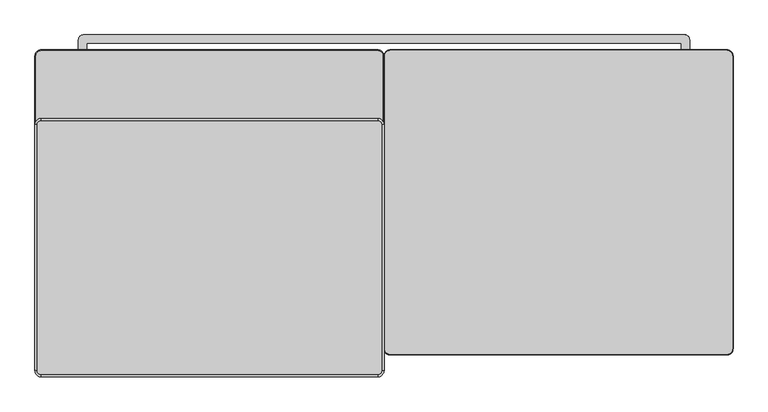
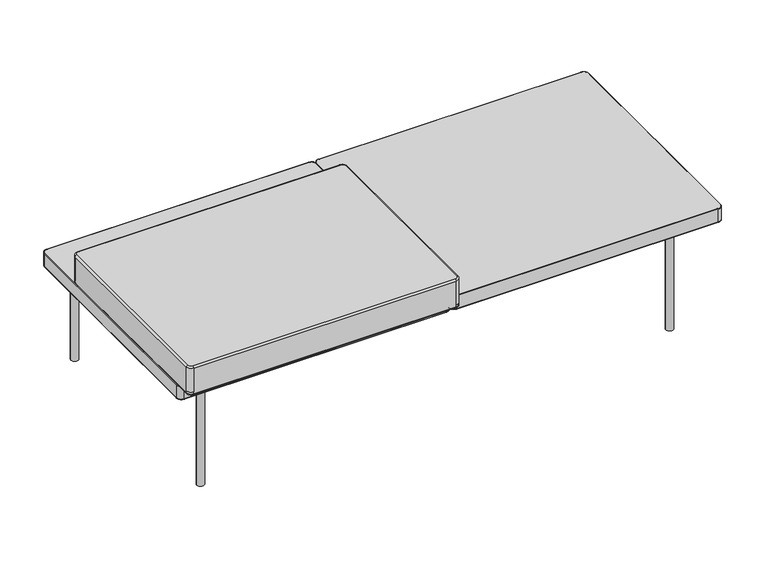
"""IFC4 building model written with IfcOpenShell, lengths in millimetres: furniture geometry."""

from ifc_helpers import new_model, si_unit, point, frame, origin, place, context, project, spatial, circle_curve, ellipse_curve, trimmed, source, transform, mapped, element, save
from ifc_brep_helpers import plane_surface, cylinder_surface, revolved_surface, advanced_brep


def furniture_eec83485(model_context):
    return source(origin(), model_context, "Body", "AdvancedBrep", [
        advanced_brep(
        [(-710.1119852, 298.9168441, 355.5999879), (-698.5011385, 310.5276908, 355.5999879), (-698.5011385, 311.6168441, 354.5108346), (-711.2011385, 298.9168441, 354.5108346), (-711.2011385, -297.9831438, 354.5108346), (-710.1119852, -297.9831438, 355.5999879), (-698.5011385, -310.6831438, 354.5108346), (-698.5011385, -309.5939905, 355.5999879), (-12.7, -310.6831438, 354.5108346), (-12.7, -309.5939905, 355.5999879), (0.0, -297.9831438, 354.5108346), (-1.0891533, -297.9831438, 355.5999879), (0.0, 298.9168441, 354.5108346), (-1.0891533, 298.9168441, 355.5999879), (-12.7, 311.6168441, 354.5108346), (-12.7, 310.5276908, 355.5999879), (-698.5011385, 311.6168441, 318.5891775), (-711.2011385, 298.9168441, 318.5891775), (-698.5011385, 310.5276908, 317.5000242), (-710.1119852, 298.9168441, 317.5000242), (-711.2011385, -297.9831438, 318.5891775), (-710.1119852, -297.9831438, 317.5000242), (-698.5011385, -310.6831438, 318.5891775), (-698.5011385, -309.5939905, 317.5000242), (-12.7, -310.6831438, 318.5891775), (-12.7, -309.5939905, 317.5000242), (0.0, -297.9831438, 318.5891775), (-1.0891533, -297.9831438, 317.5000242), (0.0, 298.9168441, 318.5891775), (-1.0891533, 298.9168441, 317.5000242), (-12.7, 311.6168441, 318.5891775), (-12.7, 310.5276908, 317.5000242)],
        [
            (0, 1, circle_curve(frame((-698.5011385, 298.9168441, 355.5999879), z_axis=(0.0, 0.0, -1.0), x_axis=(0.0, 1.0, 0.0)), 11.6108467)),
            (1, 2, circle_curve(frame((-698.5011385, 310.5276908, 354.5108346), z_axis=(-1.0, 0.0, 0.0), x_axis=(0.0, -1.0, 0.0)), 1.0891533)),
            (2, 3, circle_curve(frame((-698.5011385, 298.9168441, 354.5108346), z_axis=(0.0, 0.0, 1.0), x_axis=(0.0, 1.0, 0.0)), 12.7)),
            (3, 0, circle_curve(frame((-710.1119852, 298.9168441, 354.5108346), z_axis=(0.0, 1.0, 0.0), x_axis=(1.0, 0.0, 0.0)), 1.0891533)),
            (3, 4),
            (4, 5, circle_curve(frame((-710.1119852, -297.9831438, 354.5108346), z_axis=(0.0, 1.0, 0.0), x_axis=(1.0, 0.0, 0.0)), 1.0891533)),
            (5, 0),
            (4, 6, circle_curve(frame((-698.5011385, -297.9831438, 354.5108346), z_axis=(0.0, 0.0, 1.0), x_axis=(-1.0, 0.0, 0.0)), 12.7)),
            (6, 7, circle_curve(frame((-698.5011385, -309.5939905, 354.5108346), z_axis=(-1.0, 0.0, 0.0), x_axis=(0.0, 1.0, 0.0)), 1.0891533)),
            (7, 5, circle_curve(frame((-698.5011385, -297.9831438, 355.5999879), z_axis=(0.0, 0.0, -1.0), x_axis=(-1.0, 0.0, 0.0)), 11.6108467)),
            (6, 8),
            (8, 9, circle_curve(frame((-12.7, -309.5939905, 354.5108346), z_axis=(-1.0, 0.0, 0.0), x_axis=(0.0, 1.0, 0.0)), 1.0891533)),
            (9, 7),
            (8, 10, circle_curve(frame((-12.7, -297.9831438, 354.5108346), z_axis=(0.0, 0.0, 1.0), x_axis=(0.0, -1.0, 0.0)), 12.7)),
            (10, 11, circle_curve(frame((-1.0891533, -297.9831438, 354.5108346), z_axis=(0.0, -1.0, 0.0), x_axis=(-1.0, 0.0, 0.0)), 1.0891533)),
            (11, 9, circle_curve(frame((-12.7, -297.9831438, 355.5999879), z_axis=(0.0, 0.0, -1.0), x_axis=(0.0, -1.0, 0.0)), 11.6108467)),
            (10, 12),
            (12, 13, circle_curve(frame((-1.0891533, 298.9168441, 354.5108346), z_axis=(0.0, -1.0, 0.0), x_axis=(-1.0, 0.0, 0.0)), 1.0891533)),
            (13, 11),
            (12, 14, circle_curve(frame((-12.7, 298.9168441, 354.5108346), z_axis=(0.0, 0.0, 1.0), x_axis=(1.0, 0.0, 0.0)), 12.7)),
            (14, 15, circle_curve(frame((-12.7, 310.5276908, 354.5108346), z_axis=(1.0, 0.0, 0.0), x_axis=(0.0, -1.0, 0.0)), 1.0891533)),
            (15, 13, circle_curve(frame((-12.7, 298.9168441, 355.5999879), z_axis=(0.0, 0.0, -1.0), x_axis=(1.0, 0.0, 0.0)), 11.6108467)),
            (1, 15),
            (14, 2),
            (2, 16),
            (16, 17, circle_curve(frame((-698.5011385, 298.9168441, 318.5891775), z_axis=(0.0, 0.0, 1.0), x_axis=(0.0, 1.0, 0.0)), 12.7)),
            (17, 3),
            (16, 18, circle_curve(frame((-698.5011385, 310.5276908, 318.5891775), z_axis=(-1.0, 0.0, 0.0), x_axis=(0.0, -1.0, 0.0)), 1.0891533)),
            (18, 19, circle_curve(frame((-698.5011385, 298.9168441, 317.5000242), z_axis=(0.0, 0.0, 1.0), x_axis=(0.0, 1.0, 0.0)), 11.6108467)),
            (19, 17, circle_curve(frame((-710.1119852, 298.9168441, 318.5891775), z_axis=(0.0, 1.0, 0.0), x_axis=(1.0, 0.0, 0.0)), 1.0891533)),
            (17, 20),
            (20, 4),
            (19, 21),
            (21, 20, circle_curve(frame((-710.1119852, -297.9831438, 318.5891775), z_axis=(0.0, 1.0, 0.0), x_axis=(1.0, 0.0, 0.0)), 1.0891533)),
            (20, 22, circle_curve(frame((-698.5011385, -297.9831438, 318.5891775), z_axis=(0.0, 0.0, 1.0), x_axis=(-1.0, 0.0, 0.0)), 12.7)),
            (22, 6),
            (21, 23, circle_curve(frame((-698.5011385, -297.9831438, 317.5000242), z_axis=(0.0, 0.0, 1.0), x_axis=(-1.0, 0.0, 0.0)), 11.6108467)),
            (23, 22, circle_curve(frame((-698.5011385, -309.5939905, 318.5891775), z_axis=(-1.0, 0.0, 0.0), x_axis=(0.0, 1.0, 0.0)), 1.0891533)),
            (22, 24),
            (24, 8),
            (23, 25),
            (25, 24, circle_curve(frame((-12.7, -309.5939905, 318.5891775), z_axis=(-1.0, 0.0, 0.0), x_axis=(0.0, 1.0, 0.0)), 1.0891533)),
            (24, 26, circle_curve(frame((-12.7, -297.9831438, 318.5891775), z_axis=(0.0, 0.0, 1.0), x_axis=(0.0, -1.0, 0.0)), 12.7)),
            (26, 10),
            (25, 27, circle_curve(frame((-12.7, -297.9831438, 317.5000242), z_axis=(0.0, 0.0, 1.0), x_axis=(0.0, -1.0, 0.0)), 11.6108467)),
            (27, 26, circle_curve(frame((-1.0891533, -297.9831438, 318.5891775), z_axis=(0.0, -1.0, 0.0), x_axis=(-1.0, 0.0, 0.0)), 1.0891533)),
            (26, 28),
            (28, 12),
            (27, 29),
            (29, 28, circle_curve(frame((-1.0891533, 298.9168441, 318.5891775), z_axis=(0.0, -1.0, 0.0), x_axis=(-1.0, 0.0, 0.0)), 1.0891533)),
            (28, 30, circle_curve(frame((-12.7, 298.9168441, 318.5891775), z_axis=(0.0, 0.0, 1.0), x_axis=(1.0, 0.0, 0.0)), 12.7)),
            (30, 14),
            (29, 31, circle_curve(frame((-12.7, 298.9168441, 317.5000242), z_axis=(0.0, 0.0, 1.0), x_axis=(1.0, 0.0, 0.0)), 11.6108467)),
            (31, 30, circle_curve(frame((-12.7, 310.5276908, 318.5891775), z_axis=(1.0, 0.0, 0.0), x_axis=(0.0, -1.0, 0.0)), 1.0891533)),
            (30, 16),
            (18, 31),
        ],
        [
            revolved_surface(trimmed(ellipse_curve(frame((-698.5011385, 310.5276908, 354.5108346), z_axis=(1.0, 0.0, 0.0), x_axis=(0.0, -1.0, 0.0)), 1.0891533, 1.0891533), [point((-698.5011385, 311.6168441, 354.5108346))], [point((-698.5011385, 310.5276908, 355.5999879))], True, "CARTESIAN"), (-698.5011385, 298.9168441, 352.425), (0.0, 0.0, 1.0)),
            cylinder_surface(frame((-710.1119852, 298.9168441, 354.5108346), z_axis=(0.0, 1.0, 0.0), x_axis=(1.0, 0.0, 0.0)), 1.0891533),
            revolved_surface(trimmed(ellipse_curve(frame((-710.1119852, -297.9831438, 354.5108346), z_axis=(0.0, 1.0, 0.0), x_axis=(1.0, 0.0, 0.0)), 1.0891533, 1.0891533), [point((-711.2011385, -297.9831438, 354.5108346))], [point((-710.1119852, -297.9831438, 355.5999879))], True, "CARTESIAN"), (-698.5011385, -297.9831438, 352.425), (0.0, 0.0, 1.0)),
            cylinder_surface(frame((-698.5011385, -309.5939905, 354.5108346), z_axis=(-1.0, 0.0, 0.0), x_axis=(0.0, 1.0, 0.0)), 1.0891533),
            revolved_surface(trimmed(ellipse_curve(frame((-12.7, -309.5939905, 354.5108346), z_axis=(-1.0, 0.0, 0.0), x_axis=(0.0, 1.0, 0.0)), 1.0891533, 1.0891533), [point((-12.7, -310.6831438, 354.5108346))], [point((-12.7, -309.5939905, 355.5999879))], True, "CARTESIAN"), (-12.7, -297.9831438, 352.425), (0.0, 0.0, 1.0)),
            cylinder_surface(frame((-1.0891533, -297.9831438, 354.5108346), z_axis=(0.0, -1.0, 0.0), x_axis=(-1.0, 0.0, 0.0)), 1.0891533),
            revolved_surface(trimmed(ellipse_curve(frame((-1.0891533, 298.9168441, 354.5108346), z_axis=(0.0, -1.0, 0.0), x_axis=(-1.0, 0.0, 0.0)), 1.0891533, 1.0891533), [point((0.0, 298.9168441, 354.5108346))], [point((-1.0891533, 298.9168441, 355.5999879))], True, "CARTESIAN"), (-12.7, 298.9168441, 352.425), (0.0, 0.0, 1.0)),
            cylinder_surface(frame((-12.7, 310.5276908, 354.5108346), z_axis=(1.0, 0.0, 0.0), x_axis=(0.0, -1.0, 0.0)), 1.0891533),
            plane_surface(frame((-12.7, 310.5276908, 355.5999879), z_axis=(0.0, 0.0, 1.0), x_axis=(-1.0, 0.0, 0.0))),
            cylinder_surface(frame((-698.5011385, 298.9168441, 352.425), z_axis=(0.0, 0.0, 1.0), x_axis=(0.0, 1.0, 0.0)), 12.7),
            revolved_surface(trimmed(ellipse_curve(frame((-698.5011385, 310.5276908, 318.5891775), z_axis=(1.0, 0.0, 0.0), x_axis=(0.0, -1.0, 0.0)), 1.0891533, 1.0891533), [point((-698.5011385, 310.5276908, 317.5000242))], [point((-698.5011385, 311.6168441, 318.5891775))], True, "CARTESIAN"), (-698.5011385, 298.9168441, 352.425), (0.0, 0.0, 1.0)),
            plane_surface(frame((-711.2011385, 298.9168441, 318.5891775), z_axis=(-1.0, 0.0, 0.0), x_axis=(0.0, -1.0, 0.0))),
            cylinder_surface(frame((-710.1119852, 298.9168441, 318.5891775), z_axis=(0.0, 1.0, 0.0), x_axis=(1.0, 0.0, 0.0)), 1.0891533),
            cylinder_surface(frame((-698.5011385, -297.9831438, 352.425), z_axis=(0.0, 0.0, 1.0), x_axis=(-1.0, 0.0, 0.0)), 12.7),
            revolved_surface(trimmed(ellipse_curve(frame((-710.1119852, -297.9831438, 318.5891775), z_axis=(0.0, 1.0, 0.0), x_axis=(1.0, 0.0, 0.0)), 1.0891533, 1.0891533), [point((-710.1119852, -297.9831438, 317.5000242))], [point((-711.2011385, -297.9831438, 318.5891775))], True, "CARTESIAN"), (-698.5011385, -297.9831438, 352.425), (0.0, 0.0, 1.0)),
            plane_surface(frame((-698.5011385, -310.6831438, 318.5891775), z_axis=(0.0, -1.0, 0.0), x_axis=(1.0, 0.0, 0.0))),
            cylinder_surface(frame((-698.5011385, -309.5939905, 318.5891775), z_axis=(-1.0, 0.0, 0.0), x_axis=(0.0, 1.0, 0.0)), 1.0891533),
            cylinder_surface(frame((-12.7, -297.9831438, 352.425), z_axis=(0.0, 0.0, 1.0), x_axis=(0.0, -1.0, 0.0)), 12.7),
            revolved_surface(trimmed(ellipse_curve(frame((-12.7, -309.5939905, 318.5891775), z_axis=(-1.0, 0.0, 0.0), x_axis=(0.0, 1.0, 0.0)), 1.0891533, 1.0891533), [point((-12.7, -309.5939905, 317.5000242))], [point((-12.7, -310.6831438, 318.5891775))], True, "CARTESIAN"), (-12.7, -297.9831438, 352.425), (0.0, 0.0, 1.0)),
            plane_surface(frame((0.0, -297.9831438, 318.5891775), z_axis=(1.0, 0.0, 0.0), x_axis=(0.0, 1.0, 0.0))),
            cylinder_surface(frame((-1.0891533, -297.9831438, 318.5891775), z_axis=(0.0, -1.0, 0.0), x_axis=(-1.0, 0.0, 0.0)), 1.0891533),
            cylinder_surface(frame((-12.7, 298.9168441, 352.425), z_axis=(0.0, 0.0, 1.0), x_axis=(1.0, 0.0, 0.0)), 12.7),
            revolved_surface(trimmed(ellipse_curve(frame((-1.0891533, 298.9168441, 318.5891775), z_axis=(0.0, -1.0, 0.0), x_axis=(-1.0, 0.0, 0.0)), 1.0891533, 1.0891533), [point((-1.0891533, 298.9168441, 317.5000242))], [point((0.0, 298.9168441, 318.5891775))], True, "CARTESIAN"), (-12.7, 298.9168441, 352.425), (0.0, 0.0, 1.0)),
            plane_surface(frame((-12.7, 311.6168441, 318.5891775), z_axis=(0.0, 1.0, 0.0), x_axis=(-1.0, 0.0, 0.0))),
            plane_surface(frame((-12.7, 309.012361, 317.5000242), z_axis=(0.0, 0.0, -1.0), x_axis=(-1.0, 0.0, 0.0))),
            cylinder_surface(frame((-12.7, 310.5276908, 318.5891775), z_axis=(1.0, 0.0, 0.0), x_axis=(0.0, -1.0, 0.0)), 1.0891533),
        ],
        [
            (0, [[1, 2, 3, 4]]),
            (1, [[-4, 5, 6, 7]]),
            (2, [[-6, 8, 9, 10]]),
            (3, [[-9, 11, 12, 13]]),
            (4, [[-12, 14, 15, 16]]),
            (5, [[-15, 17, 18, 19]]),
            (6, [[-18, 20, 21, 22]]),
            (7, [[-2, 23, -21, 24]]),
            (8, [[-1, -7, -10, -13, -16, -19, -22, -23]]),
            (9, [[-3, 25, 26, 27]]),
            (10, [[-26, 28, 29, 30]]),
            (11, [[-5, -27, 31, 32]]),
            (12, [[-30, 33, 34, -31]]),
            (13, [[-8, -32, 35, 36]]),
            (14, [[-34, 37, 38, -35]]),
            (15, [[-11, -36, 39, 40]]),
            (16, [[-38, 41, 42, -39]]),
            (17, [[-14, -40, 43, 44]]),
            (18, [[-42, 45, 46, -43]]),
            (19, [[-17, -44, 47, 48]]),
            (20, [[-46, 49, 50, -47]]),
            (21, [[-20, -48, 51, 52]]),
            (22, [[-50, 53, 54, -51]]),
            (23, [[-24, -52, 55, -25]]),
            (24, [[-29, 56, -53, -49, -45, -41, -37, -33]]),
            (25, [[-28, -55, -54, -56]]),
        ],
    ),
        advanced_brep(
        [(710.1119852, 298.9168441, 355.5999879), (698.5011385, 310.5276908, 355.5999879), (12.7, 310.5276908, 355.5999879), (1.0891533, 298.9168441, 355.5999879), (1.0891533, -297.9831438, 355.5999879), (12.7, -309.5939905, 355.5999879), (698.5011385, -309.5939905, 355.5999879), (710.1119852, -297.9831438, 355.5999879), (698.5011385, 310.5276908, 317.4999879), (710.1119852, 298.9168441, 317.4999879), (710.1119852, -297.9831438, 317.4999879), (698.5011385, -309.5939905, 317.4999879), (12.7, -309.5939905, 317.4999879), (1.0891533, -297.9831438, 317.4999879), (1.0891533, 298.9168441, 317.4999879), (12.7, 310.5276908, 317.4999879), (711.2011385, 298.9168441, 354.5108346), (698.5011385, 311.6168441, 354.5108346), (711.2011385, -297.9831438, 354.5108346), (698.5011385, -310.6831438, 354.5108346), (12.7, -310.6831438, 354.5108346), (0.0, -297.9831438, 354.5108346), (0.0, 298.9168441, 354.5108346), (12.7, 311.6168441, 354.5108346), (711.2011385, 298.9168441, 318.5891775), (698.5011385, 311.6168441, 318.5891775), (711.2011385, -297.9831438, 318.5891775), (698.5011385, -310.6831438, 318.5891775), (12.7, -310.6831438, 318.5891775), (0.0, -297.9831438, 318.5891775), (0.0, 298.9168441, 318.5891775), (12.7, 311.6168441, 318.5891775)],
        [
            (0, 1, circle_curve(frame((698.5011385, 298.9168441, 355.5999879), z_axis=(0.0, 0.0, 1.0), x_axis=(0.0, 1.0, 0.0)), 11.6108467)),
            (1, 2),
            (2, 3, circle_curve(frame((12.7, 298.9168441, 355.5999879), z_axis=(0.0, 0.0, 1.0), x_axis=(-1.0, 0.0, 0.0)), 11.6108467)),
            (3, 4),
            (4, 5, circle_curve(frame((12.7, -297.9831438, 355.5999879), z_axis=(0.0, 0.0, 1.0), x_axis=(0.0, -1.0, 0.0)), 11.6108467)),
            (5, 6),
            (6, 7, circle_curve(frame((698.5011385, -297.9831438, 355.5999879), z_axis=(0.0, 0.0, 1.0), x_axis=(1.0, 0.0, 0.0)), 11.6108467)),
            (7, 0),
            (8, 9, circle_curve(frame((698.5011385, 298.9168441, 317.4999879), z_axis=(0.0, 0.0, -1.0), x_axis=(0.0, 1.0, 0.0)), 11.6108467)),
            (9, 10),
            (10, 11, circle_curve(frame((698.5011385, -297.9831438, 317.4999879), z_axis=(0.0, 0.0, -1.0), x_axis=(1.0, 0.0, 0.0)), 11.6108467)),
            (11, 12),
            (12, 13, circle_curve(frame((12.7, -297.9831438, 317.4999879), z_axis=(0.0, 0.0, -1.0), x_axis=(0.0, -1.0, 0.0)), 11.6108467)),
            (13, 14),
            (14, 15, circle_curve(frame((12.7, 298.9168441, 317.4999879), z_axis=(0.0, 0.0, -1.0), x_axis=(-1.0, 0.0, 0.0)), 11.6108467)),
            (15, 8),
            (16, 17, circle_curve(frame((698.5011385, 298.9168441, 354.5108346), z_axis=(0.0, 0.0, 1.0), x_axis=(0.0, 1.0, 0.0)), 12.7)),
            (17, 1, circle_curve(frame((698.5011385, 310.5276908, 354.5108346), z_axis=(1.0, 0.0, 0.0), x_axis=(0.0, 1.0, 0.0)), 1.0891533)),
            (0, 16, circle_curve(frame((710.1119852, 298.9168441, 354.5108346), z_axis=(0.0, 1.0, 0.0), x_axis=(1.0, 0.0, 0.0)), 1.0891533)),
            (7, 18, circle_curve(frame((710.1119852, -297.9831438, 354.5108346), z_axis=(0.0, 1.0, 0.0), x_axis=(1.0, 0.0, 0.0)), 1.0891533)),
            (18, 16),
            (6, 19, circle_curve(frame((698.5011385, -309.5939905, 354.5108346), z_axis=(1.0, 0.0, 0.0), x_axis=(0.0, -1.0, 0.0)), 1.0891533)),
            (19, 18, circle_curve(frame((698.5011385, -297.9831438, 354.5108346), z_axis=(0.0, 0.0, 1.0), x_axis=(1.0, 0.0, 0.0)), 12.7)),
            (5, 20, circle_curve(frame((12.7, -309.5939905, 354.5108346), z_axis=(1.0, 0.0, 0.0), x_axis=(0.0, -1.0, 0.0)), 1.0891533)),
            (20, 19),
            (4, 21, circle_curve(frame((1.0891533, -297.9831438, 354.5108346), z_axis=(0.0, -1.0, 0.0), x_axis=(-1.0, 0.0, 0.0)), 1.0891533)),
            (21, 20, circle_curve(frame((12.7, -297.9831438, 354.5108346), z_axis=(0.0, 0.0, 1.0), x_axis=(0.0, -1.0, 0.0)), 12.7)),
            (3, 22, circle_curve(frame((1.0891533, 298.9168441, 354.5108346), z_axis=(0.0, -1.0, 0.0), x_axis=(-1.0, 0.0, 0.0)), 1.0891533)),
            (22, 21),
            (2, 23, circle_curve(frame((12.7, 310.5276908, 354.5108346), z_axis=(-1.0, 0.0, 0.0), x_axis=(0.0, 1.0, 0.0)), 1.0891533)),
            (23, 22, circle_curve(frame((12.7, 298.9168441, 354.5108346), z_axis=(0.0, 0.0, 1.0), x_axis=(-1.0, 0.0, 0.0)), 12.7)),
            (17, 23),
            (16, 24),
            (24, 25, circle_curve(frame((698.5011385, 298.9168441, 318.5891775), z_axis=(0.0, 0.0, 1.0), x_axis=(0.0, 1.0, 0.0)), 12.7)),
            (25, 17),
            (24, 9, circle_curve(frame((710.1119852, 298.9168441, 318.5891775), z_axis=(0.0, 1.0, 0.0), x_axis=(1.0, 0.0, 0.0)), 1.0891533)),
            (8, 25, circle_curve(frame((698.5011385, 310.5276908, 318.5891775), z_axis=(1.0, 0.0, 0.0), x_axis=(0.0, 1.0, 0.0)), 1.0891533)),
            (18, 26),
            (26, 24),
            (26, 10, circle_curve(frame((710.1119852, -297.9831438, 318.5891775), z_axis=(0.0, 1.0, 0.0), x_axis=(1.0, 0.0, 0.0)), 1.0891533)),
            (19, 27),
            (27, 26, circle_curve(frame((698.5011385, -297.9831438, 318.5891775), z_axis=(0.0, 0.0, 1.0), x_axis=(1.0, 0.0, 0.0)), 12.7)),
            (27, 11, circle_curve(frame((698.5011385, -309.5939905, 318.5891775), z_axis=(1.0, 0.0, 0.0), x_axis=(0.0, -1.0, 0.0)), 1.0891533)),
            (20, 28),
            (28, 27),
            (28, 12, circle_curve(frame((12.7, -309.5939905, 318.5891775), z_axis=(1.0, 0.0, 0.0), x_axis=(0.0, -1.0, 0.0)), 1.0891533)),
            (21, 29),
            (29, 28, circle_curve(frame((12.7, -297.9831438, 318.5891775), z_axis=(0.0, 0.0, 1.0), x_axis=(0.0, -1.0, 0.0)), 12.7)),
            (29, 13, circle_curve(frame((1.0891533, -297.9831438, 318.5891775), z_axis=(0.0, -1.0, 0.0), x_axis=(-1.0, 0.0, 0.0)), 1.0891533)),
            (22, 30),
            (30, 29),
            (30, 14, circle_curve(frame((1.0891533, 298.9168441, 318.5891775), z_axis=(0.0, -1.0, 0.0), x_axis=(-1.0, 0.0, 0.0)), 1.0891533)),
            (23, 31),
            (31, 30, circle_curve(frame((12.7, 298.9168441, 318.5891775), z_axis=(0.0, 0.0, 1.0), x_axis=(-1.0, 0.0, 0.0)), 12.7)),
            (31, 15, circle_curve(frame((12.7, 310.5276908, 318.5891775), z_axis=(-1.0, 0.0, 0.0), x_axis=(0.0, 1.0, 0.0)), 1.0891533)),
            (25, 31),
        ],
        [
            plane_surface(frame((2.6044831, -297.9831438, 355.5999879), z_axis=(0.0, 0.0, 1.0), x_axis=(0.0, -1.0, 0.0))),
            plane_surface(frame((2.6044831, -297.9831438, 317.4999879), z_axis=(0.0, 0.0, -1.0), x_axis=(0.0, 1.0, 0.0))),
            revolved_surface(trimmed(ellipse_curve(frame((698.5011385, 310.5276908, 354.5108346), z_axis=(-1.0, 0.0, 0.0), x_axis=(0.0, 1.0, 0.0)), 1.0891533, 1.0891533), [point((698.5011385, 310.5276908, 355.5999879))], [point((698.5011385, 311.6168441, 354.5108346))], True, "CARTESIAN"), (698.5011385, 298.9168441, 352.425), (0.0, 0.0, -1.0)),
            cylinder_surface(frame((710.1119852, 298.9168441, 354.5108346), z_axis=(0.0, 1.0, 0.0), x_axis=(1.0, 0.0, 0.0)), 1.0891533),
            revolved_surface(trimmed(ellipse_curve(frame((710.1119852, -297.9831438, 354.5108346), z_axis=(0.0, 1.0, 0.0), x_axis=(1.0, 0.0, 0.0)), 1.0891533, 1.0891533), [point((710.1119852, -297.9831438, 355.5999879))], [point((711.2011385, -297.9831438, 354.5108346))], True, "CARTESIAN"), (698.5011385, -297.9831438, 352.425), (0.0, 0.0, -1.0)),
            cylinder_surface(frame((698.5011385, -309.5939905, 354.5108346), z_axis=(1.0, 0.0, 0.0), x_axis=(0.0, -1.0, 0.0)), 1.0891533),
            revolved_surface(trimmed(ellipse_curve(frame((12.7, -309.5939905, 354.5108346), z_axis=(1.0, 0.0, 0.0), x_axis=(0.0, -1.0, 0.0)), 1.0891533, 1.0891533), [point((12.7, -309.5939905, 355.5999879))], [point((12.7, -310.6831438, 354.5108346))], True, "CARTESIAN"), (12.7, -297.9831438, 352.425), (0.0, 0.0, -1.0)),
            cylinder_surface(frame((1.0891533, -297.9831438, 354.5108346), z_axis=(0.0, -1.0, 0.0), x_axis=(-1.0, 0.0, 0.0)), 1.0891533),
            revolved_surface(trimmed(ellipse_curve(frame((1.0891533, 298.9168441, 354.5108346), z_axis=(0.0, -1.0, 0.0), x_axis=(-1.0, 0.0, 0.0)), 1.0891533, 1.0891533), [point((1.0891533, 298.9168441, 355.5999879))], [point((0.0, 298.9168441, 354.5108346))], True, "CARTESIAN"), (12.7, 298.9168441, 352.425), (0.0, 0.0, -1.0)),
            cylinder_surface(frame((12.7, 310.5276908, 354.5108346), z_axis=(-1.0, 0.0, 0.0), x_axis=(0.0, 1.0, 0.0)), 1.0891533),
            cylinder_surface(frame((698.5011385, 298.9168441, 352.425), z_axis=(0.0, 0.0, -1.0), x_axis=(0.0, 1.0, 0.0)), 12.7),
            revolved_surface(trimmed(ellipse_curve(frame((698.5011385, 310.5276908, 318.5891775), z_axis=(-1.0, 0.0, 0.0), x_axis=(0.0, 1.0, 0.0)), 1.0891533, 1.0891533), [point((698.5011385, 311.6168441, 318.5891775))], [point((698.5011385, 310.5276908, 317.5000242))], True, "CARTESIAN"), (698.5011385, 298.9168441, 352.425), (0.0, 0.0, -1.0)),
            plane_surface(frame((711.2011385, 298.9168441, 354.5108346), z_axis=(1.0, 0.0, 0.0), x_axis=(0.0, -1.0, 0.0))),
            cylinder_surface(frame((710.1119852, 298.9168441, 318.5891775), z_axis=(0.0, 1.0, 0.0), x_axis=(1.0, 0.0, 0.0)), 1.0891533),
            cylinder_surface(frame((698.5011385, -297.9831438, 352.425), z_axis=(0.0, 0.0, -1.0), x_axis=(1.0, 0.0, 0.0)), 12.7),
            revolved_surface(trimmed(ellipse_curve(frame((710.1119852, -297.9831438, 318.5891775), z_axis=(0.0, 1.0, 0.0), x_axis=(1.0, 0.0, 0.0)), 1.0891533, 1.0891533), [point((711.2011385, -297.9831438, 318.5891775))], [point((710.1119852, -297.9831438, 317.5000242))], True, "CARTESIAN"), (698.5011385, -297.9831438, 352.425), (0.0, 0.0, -1.0)),
            plane_surface(frame((698.5011385, -310.6831438, 354.5108346), z_axis=(0.0, -1.0, 0.0), x_axis=(-1.0, 0.0, 0.0))),
            cylinder_surface(frame((698.5011385, -309.5939905, 318.5891775), z_axis=(1.0, 0.0, 0.0), x_axis=(0.0, -1.0, 0.0)), 1.0891533),
            cylinder_surface(frame((12.7, -297.9831438, 352.425), z_axis=(0.0, 0.0, -1.0), x_axis=(0.0, -1.0, 0.0)), 12.7),
            revolved_surface(trimmed(ellipse_curve(frame((12.7, -309.5939905, 318.5891775), z_axis=(1.0, 0.0, 0.0), x_axis=(0.0, -1.0, 0.0)), 1.0891533, 1.0891533), [point((12.7, -310.6831438, 318.5891775))], [point((12.7, -309.5939905, 317.5000242))], True, "CARTESIAN"), (12.7, -297.9831438, 352.425), (0.0, 0.0, -1.0)),
            plane_surface(frame((0.0, -297.9831438, 354.5108346), z_axis=(-1.0, 0.0, 0.0), x_axis=(0.0, 1.0, 0.0))),
            cylinder_surface(frame((1.0891533, -297.9831438, 318.5891775), z_axis=(0.0, -1.0, 0.0), x_axis=(-1.0, 0.0, 0.0)), 1.0891533),
            cylinder_surface(frame((12.7, 298.9168441, 352.425), z_axis=(0.0, 0.0, -1.0), x_axis=(-1.0, 0.0, 0.0)), 12.7),
            revolved_surface(trimmed(ellipse_curve(frame((1.0891533, 298.9168441, 318.5891775), z_axis=(0.0, -1.0, 0.0), x_axis=(-1.0, 0.0, 0.0)), 1.0891533, 1.0891533), [point((0.0, 298.9168441, 318.5891775))], [point((1.0891533, 298.9168441, 317.5000242))], True, "CARTESIAN"), (12.7, 298.9168441, 352.425), (0.0, 0.0, -1.0)),
            plane_surface(frame((12.7, 311.6168441, 354.5108346), z_axis=(0.0, 1.0, 0.0), x_axis=(1.0, 0.0, 0.0))),
            cylinder_surface(frame((12.7, 310.5276908, 318.5891775), z_axis=(-1.0, 0.0, 0.0), x_axis=(0.0, 1.0, 0.0)), 1.0891533),
        ],
        [
            (0, [[1, 2, 3, 4, 5, 6, 7, 8]]),
            (1, [[9, 10, 11, 12, 13, 14, 15, 16]]),
            (2, [[17, 18, -1, 19]]),
            (3, [[-19, -8, 20, 21]]),
            (4, [[-20, -7, 22, 23]]),
            (5, [[-22, -6, 24, 25]]),
            (6, [[-24, -5, 26, 27]]),
            (7, [[-26, -4, 28, 29]]),
            (8, [[-28, -3, 30, 31]]),
            (9, [[-18, 32, -30, -2]]),
            (10, [[-17, 33, 34, 35]]),
            (11, [[-34, 36, -9, 37]]),
            (12, [[-21, 38, 39, -33]]),
            (13, [[-36, -39, 40, -10]]),
            (14, [[-23, 41, 42, -38]]),
            (15, [[-40, -42, 43, -11]]),
            (16, [[-25, 44, 45, -41]]),
            (17, [[-43, -45, 46, -12]]),
            (18, [[-27, 47, 48, -44]]),
            (19, [[-46, -48, 49, -13]]),
            (20, [[-29, 50, 51, -47]]),
            (21, [[-49, -51, 52, -14]]),
            (22, [[-31, 53, 54, -50]]),
            (23, [[-52, -54, 55, -15]]),
            (24, [[-32, -35, 56, -53]]),
            (25, [[-37, -16, -55, -56]]),
        ],
    ),
        advanced_brep(
        [(-4.6104593, -342.4331438, 355.3677867), (-12.7, -350.5226845, 355.3677867), (-698.5011385, -350.5226845, 355.3677867), (-706.5906792, -342.4331438, 355.3677867), (-706.5906792, 158.750436, 355.3677867), (-698.5011385, 166.8399767, 355.3677867), (-12.7, 166.8399767, 355.3677867), (-4.6104593, 158.750436, 355.3677867), (-698.5011385, -350.5226845, 435.1573776), (-12.7, -350.5226845, 435.1573776), (-4.6104593, -342.4331438, 435.1573776), (-4.6104593, 158.750436, 435.1573776), (-12.7, 166.8399767, 435.1573776), (-698.5011385, 166.8399767, 435.1573776), (-706.5906792, 158.750436, 435.1573776), (-706.5906792, -342.4331438, 435.1573776), (-12.7, -355.1331438, 430.5469182), (-698.5011385, -355.1331438, 430.5469182), (-711.2011385, -342.4331438, 430.5469182), (-711.2011385, 158.750436, 430.5469182), (-698.5011385, 171.450436, 430.5469182), (-12.7, 171.450436, 430.5469182), (0.0, 158.750436, 430.5469182), (0.0, -342.4331438, 430.5469182), (-12.7, -355.1331438, 365.5390691), (0.0, -342.4331438, 365.5390691), (-711.2011385, -342.4331438, 365.5390691), (-698.5011385, -355.1331438, 365.5390691), (-698.5011385, 171.450436, 365.5390691), (-711.2011385, 158.750436, 365.5390691), (0.0, 158.750436, 365.5390691), (-12.7, 171.450436, 365.5390691), (-12.7, -355.1331438, 359.9782461), (0.0, -342.4331438, 359.9782461), (-698.5011385, -355.1331438, 359.9782461), (-711.2011385, -342.4331438, 359.9782461), (-711.2011385, 158.750436, 359.9782461), (-698.5011385, 171.450436, 359.9782461), (-12.7, 171.450436, 359.9782461), (0.0, 158.750436, 359.9782461)],
        [
            (0, 1, circle_curve(frame((-12.7, -342.4331438, 355.3677867), z_axis=(0.0, 0.0, -1.0), x_axis=(1.0, 0.0, 0.0)), 8.0895407)),
            (1, 2),
            (2, 3, circle_curve(frame((-698.5011385, -342.4331438, 355.3677867), z_axis=(0.0, 0.0, -1.0), x_axis=(0.0, -1.0, 0.0)), 8.0895407)),
            (3, 4),
            (4, 5, circle_curve(frame((-698.5011385, 158.750436, 355.3677867), z_axis=(0.0, 0.0, -1.0), x_axis=(-1.0, 0.0, 0.0)), 8.0895407)),
            (5, 6),
            (6, 7, circle_curve(frame((-12.7, 158.750436, 355.3677867), z_axis=(0.0, 0.0, -1.0), x_axis=(0.0, 1.0, 0.0)), 8.0895407)),
            (7, 0),
            (8, 9),
            (9, 10, circle_curve(frame((-12.7, -342.4331438, 435.1573776), z_axis=(0.0, 0.0, 1.0), x_axis=(1.0, 0.0, 0.0)), 8.0895407)),
            (10, 11),
            (11, 12, circle_curve(frame((-12.7, 158.750436, 435.1573776), z_axis=(0.0, 0.0, 1.0), x_axis=(0.0, 1.0, 0.0)), 8.0895407)),
            (12, 13),
            (13, 14, circle_curve(frame((-698.5011385, 158.750436, 435.1573776), z_axis=(0.0, 0.0, 1.0), x_axis=(-1.0, 0.0, 0.0)), 8.0895407)),
            (14, 15),
            (15, 8, circle_curve(frame((-698.5011385, -342.4331438, 435.1573776), z_axis=(0.0, 0.0, 1.0), x_axis=(0.0, -1.0, 0.0)), 8.0895407)),
            (16, 9, circle_curve(frame((-12.7, -350.5226845, 430.5469182), z_axis=(-1.0, 0.0, 0.0), x_axis=(0.0, -1.0, 0.0)), 4.6104593)),
            (8, 17, circle_curve(frame((-698.5011385, -350.5226845, 430.5469182), z_axis=(1.0, 0.0, 0.0), x_axis=(0.0, -1.0, 0.0)), 4.6104593)),
            (17, 16),
            (18, 15, circle_curve(frame((-706.5906792, -342.4331438, 430.5469182), z_axis=(0.0, 1.0, 0.0), x_axis=(-1.0, 0.0, 0.0)), 4.6104593)),
            (14, 19, circle_curve(frame((-706.5906792, 158.750436, 430.5469182), z_axis=(0.0, -1.0, 0.0), x_axis=(-1.0, 0.0, 0.0)), 4.6104593)),
            (19, 18),
            (20, 13, circle_curve(frame((-698.5011385, 166.8399767, 430.5469182), z_axis=(1.0, 0.0, 0.0), x_axis=(0.0, 1.0, 0.0)), 4.6104593)),
            (12, 21, circle_curve(frame((-12.7, 166.8399767, 430.5469182), z_axis=(-1.0, 0.0, 0.0), x_axis=(0.0, 1.0, 0.0)), 4.6104593)),
            (21, 20),
            (22, 11, circle_curve(frame((-4.6104593, 158.750436, 430.5469182), z_axis=(0.0, -1.0, 0.0), x_axis=(1.0, 0.0, 0.0)), 4.6104593)),
            (10, 23, circle_curve(frame((-4.6104593, -342.4331438, 430.5469182), z_axis=(0.0, 1.0, 0.0), x_axis=(1.0, 0.0, 0.0)), 4.6104593)),
            (23, 22),
            (24, 25, circle_curve(frame((-12.7, -342.4331438, 365.5390691), z_axis=(0.0, 0.0, 1.0), x_axis=(1.0, 0.0, 0.0)), 12.7)),
            (25, 23),
            (23, 16, circle_curve(frame((-12.7, -342.4331438, 430.5469182), z_axis=(0.0, 0.0, -1.0), x_axis=(1.0, 0.0, 0.0)), 12.7)),
            (16, 24),
            (26, 27, circle_curve(frame((-698.5011385, -342.4331438, 365.5390691), z_axis=(0.0, 0.0, 1.0), x_axis=(0.0, -1.0, 0.0)), 12.7)),
            (27, 17),
            (17, 18, circle_curve(frame((-698.5011385, -342.4331438, 430.5469182), z_axis=(0.0, 0.0, -1.0), x_axis=(0.0, -1.0, 0.0)), 12.7)),
            (18, 26),
            (28, 29, circle_curve(frame((-698.5011385, 158.750436, 365.5390691), z_axis=(0.0, 0.0, 1.0), x_axis=(-1.0, 0.0, 0.0)), 12.7)),
            (29, 19),
            (19, 20, circle_curve(frame((-698.5011385, 158.750436, 430.5469182), z_axis=(0.0, 0.0, -1.0), x_axis=(-1.0, 0.0, 0.0)), 12.7)),
            (20, 28),
            (30, 31, circle_curve(frame((-12.7, 158.750436, 365.5390691), z_axis=(0.0, 0.0, 1.0), x_axis=(0.0, 1.0, 0.0)), 12.7)),
            (31, 21),
            (21, 22, circle_curve(frame((-12.7, 158.750436, 430.5469182), z_axis=(0.0, 0.0, -1.0), x_axis=(0.0, 1.0, 0.0)), 12.7)),
            (22, 30),
            (24, 32),
            (32, 33, circle_curve(frame((-12.7, -342.4331438, 359.9782461), z_axis=(0.0, 0.0, 1.0), x_axis=(1.0, 0.0, 0.0)), 12.7)),
            (33, 25),
            (32, 1, circle_curve(frame((-12.7, -350.5226845, 359.9782461), z_axis=(1.0, 0.0, 0.0), x_axis=(0.0, -1.0, 0.0)), 4.6104593)),
            (0, 33, circle_curve(frame((-4.6104593, -342.4331438, 359.9782461), z_axis=(0.0, -1.0, 0.0), x_axis=(1.0, 0.0, 0.0)), 4.6104593)),
            (27, 34),
            (34, 32),
            (34, 2, circle_curve(frame((-698.5011385, -350.5226845, 359.9782461), z_axis=(1.0, 0.0, 0.0), x_axis=(0.0, -1.0, 0.0)), 4.6104593)),
            (26, 35),
            (35, 34, circle_curve(frame((-698.5011385, -342.4331438, 359.9782461), z_axis=(0.0, 0.0, 1.0), x_axis=(0.0, -1.0, 0.0)), 12.7)),
            (35, 3, circle_curve(frame((-706.5906792, -342.4331438, 359.9782461), z_axis=(0.0, -1.0, 0.0), x_axis=(-1.0, 0.0, 0.0)), 4.6104593)),
            (29, 36),
            (36, 35),
            (36, 4, circle_curve(frame((-706.5906792, 158.750436, 359.9782461), z_axis=(0.0, -1.0, 0.0), x_axis=(-1.0, 0.0, 0.0)), 4.6104593)),
            (28, 37),
            (37, 36, circle_curve(frame((-698.5011385, 158.750436, 359.9782461), z_axis=(0.0, 0.0, 1.0), x_axis=(-1.0, 0.0, 0.0)), 12.7)),
            (37, 5, circle_curve(frame((-698.5011385, 166.8399767, 359.9782461), z_axis=(-1.0, 0.0, 0.0), x_axis=(0.0, 1.0, 0.0)), 4.6104593)),
            (31, 38),
            (38, 37),
            (38, 6, circle_curve(frame((-12.7, 166.8399767, 359.9782461), z_axis=(-1.0, 0.0, 0.0), x_axis=(0.0, 1.0, 0.0)), 4.6104593)),
            (30, 39),
            (39, 38, circle_curve(frame((-12.7, 158.750436, 359.9782461), z_axis=(0.0, 0.0, 1.0), x_axis=(0.0, 1.0, 0.0)), 12.7)),
            (39, 7, circle_curve(frame((-4.6104593, 158.750436, 359.9782461), z_axis=(0.0, 1.0, 0.0), x_axis=(1.0, 0.0, 0.0)), 4.6104593)),
            (33, 39),
        ],
        [
            plane_surface(frame((-18.1805818, 158.750436, 355.3677867), z_axis=(0.0, 0.0, -1.0), x_axis=(0.0, 1.0, 0.0))),
            plane_surface(frame((-18.1805818, 158.750436, 435.1573776), z_axis=(0.0, 0.0, 1.0), x_axis=(0.0, -1.0, 0.0))),
            cylinder_surface(frame((-12.7, -350.5226845, 430.5469182), z_axis=(1.0, 0.0, 0.0), x_axis=(0.0, -1.0, 0.0)), 4.6104593),
            cylinder_surface(frame((-706.5906792, -342.4331438, 430.5469182), z_axis=(0.0, -1.0, 0.0), x_axis=(-1.0, 0.0, 0.0)), 4.6104593),
            cylinder_surface(frame((-698.5011385, 166.8399767, 430.5469182), z_axis=(-1.0, 0.0, 0.0), x_axis=(0.0, 1.0, 0.0)), 4.6104593),
            cylinder_surface(frame((-4.6104593, 158.750436, 430.5469182), z_axis=(0.0, 1.0, 0.0), x_axis=(1.0, 0.0, 0.0)), 4.6104593),
            cylinder_surface(frame((-12.7, -342.4331438, 0.0), z_axis=(0.0, 0.0, -1.0), x_axis=(1.0, 0.0, 0.0)), 12.7),
            revolved_surface(trimmed(ellipse_curve(frame((-4.6104593, -342.4331438, 430.5469182), z_axis=(0.0, 1.0, 0.0), x_axis=(1.0, 0.0, 0.0)), 4.6104593, 4.6104593), [point((-4.6104593, -342.4331438, 435.1573776))], [point((0.0, -342.4331438, 430.5469182))], True, "CARTESIAN"), (-12.7, -342.4331438, 0.0), (0.0, 0.0, -1.0)),
            cylinder_surface(frame((-698.5011385, -342.4331438, 0.0), z_axis=(0.0, 0.0, -1.0), x_axis=(0.0, -1.0, 0.0)), 12.7),
            revolved_surface(trimmed(ellipse_curve(frame((-698.5011385, -350.5226845, 430.5469182), z_axis=(1.0, 0.0, 0.0), x_axis=(0.0, -1.0, 0.0)), 4.6104593, 4.6104593), [point((-698.5011385, -350.5226845, 435.1573776))], [point((-698.5011385, -355.1331438, 430.5469182))], True, "CARTESIAN"), (-698.5011385, -342.4331438, 0.0), (0.0, 0.0, -1.0)),
            cylinder_surface(frame((-698.5011385, 158.750436, 0.0), z_axis=(0.0, 0.0, -1.0), x_axis=(-1.0, 0.0, 0.0)), 12.7),
            revolved_surface(trimmed(ellipse_curve(frame((-706.5906792, 158.750436, 430.5469182), z_axis=(0.0, -1.0, 0.0), x_axis=(-1.0, 0.0, 0.0)), 4.6104593, 4.6104593), [point((-706.5906792, 158.750436, 435.1573776))], [point((-711.2011385, 158.750436, 430.5469182))], True, "CARTESIAN"), (-698.5011385, 158.750436, 0.0), (0.0, 0.0, -1.0)),
            cylinder_surface(frame((-12.7, 158.750436, 0.0), z_axis=(0.0, 0.0, -1.0), x_axis=(0.0, 1.0, 0.0)), 12.7),
            revolved_surface(trimmed(ellipse_curve(frame((-12.7, 166.8399767, 430.5469182), z_axis=(-1.0, 0.0, 0.0), x_axis=(0.0, 1.0, 0.0)), 4.6104593, 4.6104593), [point((-12.7, 166.8399767, 435.1573776))], [point((-12.7, 171.450436, 430.5469182))], True, "CARTESIAN"), (-12.7, 158.750436, 0.0), (0.0, 0.0, -1.0)),
            revolved_surface(trimmed(ellipse_curve(frame((-4.6104593, -342.4331438, 359.9782461), z_axis=(0.0, 1.0, 0.0), x_axis=(1.0, 0.0, 0.0)), 4.6104593, 4.6104593), [point((0.0, -342.4331438, 359.9782461))], [point((-4.6104593, -342.4331438, 355.3677867))], True, "CARTESIAN"), (-12.7, -342.4331438, 0.0), (0.0, 0.0, -1.0)),
            plane_surface(frame((-12.7, -355.1331438, 365.5390691), z_axis=(0.0, -1.0, 0.0), x_axis=(-1.0, 0.0, 0.0))),
            cylinder_surface(frame((-12.7, -350.5226845, 359.9782461), z_axis=(1.0, 0.0, 0.0), x_axis=(0.0, -1.0, 0.0)), 4.6104593),
            revolved_surface(trimmed(ellipse_curve(frame((-698.5011385, -350.5226845, 359.9782461), z_axis=(1.0, 0.0, 0.0), x_axis=(0.0, -1.0, 0.0)), 4.6104593, 4.6104593), [point((-698.5011385, -355.1331438, 359.9782461))], [point((-698.5011385, -350.5226845, 355.3677867))], True, "CARTESIAN"), (-698.5011385, -342.4331438, 0.0), (0.0, 0.0, -1.0)),
            plane_surface(frame((-711.2011385, -342.4331438, 365.5390691), z_axis=(-1.0, 0.0, 0.0), x_axis=(0.0, 1.0, 0.0))),
            cylinder_surface(frame((-706.5906792, -342.4331438, 359.9782461), z_axis=(0.0, -1.0, 0.0), x_axis=(-1.0, 0.0, 0.0)), 4.6104593),
            revolved_surface(trimmed(ellipse_curve(frame((-706.5906792, 158.750436, 359.9782461), z_axis=(0.0, -1.0, 0.0), x_axis=(-1.0, 0.0, 0.0)), 4.6104593, 4.6104593), [point((-711.2011385, 158.750436, 359.9782461))], [point((-706.5906792, 158.750436, 355.3677867))], True, "CARTESIAN"), (-698.5011385, 158.750436, 0.0), (0.0, 0.0, -1.0)),
            plane_surface(frame((-698.5011385, 171.450436, 365.5390691), z_axis=(0.0, 1.0, 0.0), x_axis=(1.0, 0.0, 0.0))),
            cylinder_surface(frame((-698.5011385, 166.8399767, 359.9782461), z_axis=(-1.0, 0.0, 0.0), x_axis=(0.0, 1.0, 0.0)), 4.6104593),
            revolved_surface(trimmed(ellipse_curve(frame((-12.7, 166.8399767, 359.9782461), z_axis=(-1.0, 0.0, 0.0), x_axis=(0.0, 1.0, 0.0)), 4.6104593, 4.6104593), [point((-12.7, 171.450436, 359.9782461))], [point((-12.7, 166.8399767, 355.3677867))], True, "CARTESIAN"), (-12.7, 158.750436, 0.0), (0.0, 0.0, -1.0)),
            plane_surface(frame((0.0, 158.750436, 365.5390691), z_axis=(1.0, 0.0, 0.0), x_axis=(0.0, -1.0, 0.0))),
            cylinder_surface(frame((-4.6104593, 158.750436, 359.9782461), z_axis=(0.0, 1.0, 0.0), x_axis=(1.0, 0.0, 0.0)), 4.6104593),
        ],
        [
            (0, [[1, 2, 3, 4, 5, 6, 7, 8]]),
            (1, [[9, 10, 11, 12, 13, 14, 15, 16]]),
            (2, [[17, -9, 18, 19]]),
            (3, [[20, -15, 21, 22]]),
            (4, [[23, -13, 24, 25]]),
            (5, [[26, -11, 27, 28]]),
            (6, [[29, 30, 31, 32]]),
            (7, [[-17, -31, -27, -10]]),
            (8, [[33, 34, 35, 36]]),
            (9, [[-18, -16, -20, -35]]),
            (10, [[37, 38, 39, 40]]),
            (11, [[-21, -14, -23, -39]]),
            (12, [[41, 42, 43, 44]]),
            (13, [[-24, -12, -26, -43]]),
            (6, [[-29, 45, 46, 47]]),
            (14, [[-46, 48, -1, 49]]),
            (15, [[-19, -34, 50, 51, -45, -32]]),
            (16, [[-48, -51, 52, -2]]),
            (8, [[-33, 53, 54, -50]]),
            (17, [[-52, -54, 55, -3]]),
            (18, [[-22, -38, 56, 57, -53, -36]]),
            (19, [[-55, -57, 58, -4]]),
            (10, [[-37, 59, 60, -56]]),
            (20, [[-58, -60, 61, -5]]),
            (21, [[-25, -42, 62, 63, -59, -40]]),
            (22, [[-61, -63, 64, -6]]),
            (12, [[-41, 65, 66, -62]]),
            (23, [[-64, -66, 67, -7]]),
            (24, [[-28, -30, -47, 68, -65, -44]]),
            (25, [[-49, -8, -67, -68]]),
        ],
    ),
        advanced_brep(
        [(622.5032095, -237.2781585, 317.4999879), (622.5032095, 332.5281585, 317.4999879), (612.8804139, 342.1509542, 317.4999879), (-612.8804139, 342.1509542, 317.4999879), (-622.5032095, 332.5281585, 317.4999879), (-622.5032095, -237.2781585, 317.4999879), (-612.8804139, -246.9009542, 317.4999879), (612.8804139, -246.9009542, 317.4999879), (-604.7232095, 324.3709542, 317.4999879), (604.7232095, 324.3709542, 317.4999879), (604.7232095, -229.1209542, 317.4999879), (-604.7232095, -229.1209542, 317.4999879), (612.8804139, -246.9009542, 279.4000061), (-612.8804139, -246.9009542, 279.4000061), (-603.2576182, -237.2781585, 279.4000061), (-622.5032095, -237.2781585, 279.4000061), (-622.5032095, 332.5281585, 279.4000061), (-603.2576182, 332.5281585, 279.4000061), (-612.8804139, 342.1509542, 279.4000061), (612.8804139, 342.1509542, 279.4000061), (603.2576182, 332.5281585, 279.4000061), (622.5032095, 332.5281585, 279.4000061), (622.5032095, -237.2781585, 279.4000061), (603.2576182, -237.2781585, 279.4000061), (-604.7232095, 324.3709542, 279.4000061), (-604.7232095, -229.1209542, 279.4000061), (604.7232095, -229.1209542, 279.4000061), (604.7232095, 324.3709542, 279.4000061), (-622.5032095, 332.5281585, 9.525), (-603.2576182, 332.5281585, 9.525), (-622.5032095, -237.2781585, 9.525), (-603.2576182, -237.2781585, 9.525), (603.2576182, 332.5281585, 9.525), (622.5032095, 332.5281585, 9.525), (603.2576182, -237.2781585, 9.525), (622.5032095, -237.2781585, 9.525)],
        [
            (0, 1),
            (1, 2, circle_curve(frame((612.8804139, 332.5281585, 317.4999879), z_axis=(0.0, 0.0, 1.0), x_axis=(1.0, 0.0, 0.0)), 9.6227956)),
            (2, 3),
            (3, 4, circle_curve(frame((-612.8804139, 332.5281585, 317.4999879), z_axis=(0.0, 0.0, 1.0), x_axis=(1.0, 0.0, 0.0)), 9.6227956)),
            (4, 5),
            (5, 6, circle_curve(frame((-612.8804139, -237.2781585, 317.4999879), z_axis=(0.0, 0.0, 1.0), x_axis=(1.0, 0.0, 0.0)), 9.6227956)),
            (6, 7),
            (7, 0, circle_curve(frame((612.8804139, -237.2781585, 317.4999879), z_axis=(0.0, 0.0, 1.0), x_axis=(1.0, 0.0, 0.0)), 9.6227956)),
            (8, 9),
            (9, 10),
            (10, 11),
            (11, 8),
            (12, 13),
            (13, 14, circle_curve(frame((-612.8804139, -237.2781585, 279.4000061), z_axis=(0.0, 0.0, 1.0), x_axis=(1.0, 0.0, 0.0)), 9.6227956)),
            (14, 15, circle_curve(frame((-612.8804139, -237.2781585, 279.4000061), z_axis=(0.0, 0.0, 1.0), x_axis=(1.0, 0.0, 0.0)), 9.6227956)),
            (15, 16),
            (16, 17, circle_curve(frame((-612.8804139, 332.5281585, 279.4000061), z_axis=(0.0, 0.0, 1.0), x_axis=(1.0, 0.0, 0.0)), 9.6227956)),
            (17, 18, circle_curve(frame((-612.8804139, 332.5281585, 279.4000061), z_axis=(0.0, 0.0, 1.0), x_axis=(1.0, 0.0, 0.0)), 9.6227956)),
            (18, 19),
            (19, 20, circle_curve(frame((612.8804139, 332.5281585, 279.4000061), z_axis=(0.0, 0.0, 1.0), x_axis=(1.0, 0.0, 0.0)), 9.6227956)),
            (20, 21, circle_curve(frame((612.8804139, 332.5281585, 279.4000061), z_axis=(0.0, 0.0, 1.0), x_axis=(1.0, 0.0, 0.0)), 9.6227956)),
            (21, 22),
            (22, 23, circle_curve(frame((612.8804139, -237.2781585, 279.4000061), z_axis=(0.0, 0.0, 1.0), x_axis=(1.0, 0.0, 0.0)), 9.6227956)),
            (23, 12, circle_curve(frame((612.8804139, -237.2781585, 279.4000061), z_axis=(0.0, 0.0, 1.0), x_axis=(1.0, 0.0, 0.0)), 9.6227956)),
            (24, 25),
            (25, 26),
            (26, 27),
            (27, 24),
            (0, 22),
            (21, 1),
            (21, 19, circle_curve(frame((612.8804139, 332.5281585, 279.4000061), z_axis=(0.0, 0.0, 1.0), x_axis=(1.0, 0.0, 0.0)), 9.6227956)),
            (19, 2),
            (18, 3),
            (18, 16, circle_curve(frame((-612.8804139, 332.5281585, 279.4000061), z_axis=(0.0, 0.0, 1.0), x_axis=(1.0, 0.0, 0.0)), 9.6227956)),
            (16, 4),
            (15, 5),
            (15, 13, circle_curve(frame((-612.8804139, -237.2781585, 279.4000061), z_axis=(0.0, 0.0, 1.0), x_axis=(1.0, 0.0, 0.0)), 9.6227956)),
            (13, 6),
            (12, 7),
            (12, 22, circle_curve(frame((612.8804139, -237.2781585, 279.4000061), z_axis=(0.0, 0.0, 1.0), x_axis=(1.0, 0.0, 0.0)), 9.6227956)),
            (8, 24),
            (27, 9),
            (26, 10),
            (25, 11),
            (28, 29, circle_curve(frame((-612.8804139, 332.5281585, 9.525), z_axis=(0.0, 0.0, -1.0), x_axis=(1.0, 0.0, 0.0)), 9.6227956)),
            (29, 28, circle_curve(frame((-612.8804139, 332.5281585, 9.525), z_axis=(0.0, 0.0, -1.0), x_axis=(1.0, 0.0, 0.0)), 9.6227956)),
            (30, 31, circle_curve(frame((-612.8804139, -237.2781585, 9.525), z_axis=(0.0, 0.0, -1.0), x_axis=(1.0, 0.0, 0.0)), 9.6227956)),
            (31, 30, circle_curve(frame((-612.8804139, -237.2781585, 9.525), z_axis=(0.0, 0.0, -1.0), x_axis=(1.0, 0.0, 0.0)), 9.6227956)),
            (32, 33, circle_curve(frame((612.8804139, 332.5281585, 9.525), z_axis=(0.0, 0.0, -1.0), x_axis=(1.0, 0.0, 0.0)), 9.6227956)),
            (33, 32, circle_curve(frame((612.8804139, 332.5281585, 9.525), z_axis=(0.0, 0.0, -1.0), x_axis=(1.0, 0.0, 0.0)), 9.6227956)),
            (34, 35, circle_curve(frame((612.8804139, -237.2781585, 9.525), z_axis=(0.0, 0.0, -1.0), x_axis=(1.0, 0.0, 0.0)), 9.6227956)),
            (35, 34, circle_curve(frame((612.8804139, -237.2781585, 9.525), z_axis=(0.0, 0.0, -1.0), x_axis=(1.0, 0.0, 0.0)), 9.6227956)),
            (29, 17),
            (16, 28),
            (31, 14),
            (15, 30),
            (33, 21),
            (20, 32),
            (35, 22),
            (23, 34),
        ],
        [
            plane_surface(frame((622.5032095, 332.5281585, 317.4999879), z_axis=(0.0, 0.0, 1.0), x_axis=(0.0, 1.0, 0.0))),
            plane_surface(frame((622.5032095, 332.5281585, 279.4000061), z_axis=(0.0, 0.0, -1.0), x_axis=(0.0, -1.0, 0.0))),
            plane_surface(frame((622.5032095, -237.2781585, 317.4999879), z_axis=(1.0, 0.0, 0.0), x_axis=(0.0, 0.0, -1.0))),
            cylinder_surface(frame((612.8804139, 332.5281585, 279.4000061), z_axis=(0.0, 0.0, 1.0), x_axis=(1.0, 0.0, 0.0)), 9.6227956),
            plane_surface(frame((612.8804139, 342.1509542, 317.4999879), z_axis=(0.0, 1.0, 0.0), x_axis=(0.0, 0.0, -1.0))),
            cylinder_surface(frame((-612.8804139, 332.5281585, 279.4000061), z_axis=(0.0, 0.0, 1.0), x_axis=(1.0, 0.0, 0.0)), 9.6227956),
            plane_surface(frame((-622.5032095, 332.5281585, 317.4999879), z_axis=(-1.0, 0.0, 0.0), x_axis=(0.0, 0.0, -1.0))),
            cylinder_surface(frame((-612.8804139, -237.2781585, 279.4000061), z_axis=(0.0, 0.0, 1.0), x_axis=(1.0, 0.0, 0.0)), 9.6227956),
            plane_surface(frame((-612.8804139, -246.9009542, 317.4999879), z_axis=(0.0, -1.0, 0.0), x_axis=(0.0, 0.0, -1.0))),
            cylinder_surface(frame((612.8804139, -237.2781585, 279.4000061), z_axis=(0.0, 0.0, 1.0), x_axis=(1.0, 0.0, 0.0)), 9.6227956),
            plane_surface(frame((-604.7232095, 324.3709542, 317.4999879), z_axis=(0.0, -1.0, 0.0), x_axis=(0.0, 0.0, -1.0))),
            plane_surface(frame((604.7232095, 324.3709542, 317.4999879), z_axis=(-1.0, 0.0, 0.0), x_axis=(0.0, 0.0, -1.0))),
            plane_surface(frame((604.7232095, -229.1209542, 317.4999879), z_axis=(0.0, 1.0, 0.0), x_axis=(0.0, 0.0, -1.0))),
            plane_surface(frame((-604.7232095, -229.1209542, 317.4999879), z_axis=(1.0, 0.0, 0.0), x_axis=(0.0, 0.0, -1.0))),
            plane_surface(frame((-603.2576182, 332.5281585, 9.525), z_axis=(0.0, 0.0, -1.0), x_axis=(0.0, -1.0, 0.0))),
            cylinder_surface(frame((-612.8804139, 332.5281585, 9.525), z_axis=(0.0, 0.0, 1.0), x_axis=(1.0, 0.0, 0.0)), 9.6227956),
            cylinder_surface(frame((-612.8804139, -237.2781585, 0.0), z_axis=(0.0, 0.0, 1.0), x_axis=(1.0, 0.0, 0.0)), 9.6227956),
            cylinder_surface(frame((612.8804139, 332.5281585, 0.0), z_axis=(0.0, 0.0, 1.0), x_axis=(1.0, 0.0, 0.0)), 9.6227956),
            cylinder_surface(frame((612.8804139, -237.2781585, 0.0), z_axis=(0.0, 0.0, 1.0), x_axis=(1.0, 0.0, 0.0)), 9.6227956),
        ],
        [
            (0, [[1, 2, 3, 4, 5, 6, 7, 8], [9, 10, 11, 12]]),
            (1, [[13, 14, 15, 16, 17, 18, 19, 20, 21, 22, 23, 24], [25, 26, 27, 28]]),
            (2, [[-1, 29, -22, 30]]),
            (3, [[-2, -30, 31, 32]]),
            (4, [[-3, -32, -19, 33]]),
            (5, [[-4, -33, 34, 35]]),
            (6, [[-5, -35, -16, 36]]),
            (7, [[-6, -36, 37, 38]]),
            (8, [[-7, -38, -13, 39]]),
            (9, [[-8, -39, 40, -29]]),
            (10, [[-9, 41, -28, 42]]),
            (11, [[-10, -42, -27, 43]]),
            (12, [[-11, -43, -26, 44]]),
            (13, [[-12, -44, -25, -41]]),
            (14, [[45, 46]]),
            (14, [[47, 48]]),
            (14, [[49, 50]]),
            (14, [[51, 52]]),
            (15, [[-46, 53, -17, 54]]),
            (15, [[-45, -54, -34, -18, -53]]),
            (16, [[-48, 55, -14, -37, 56]]),
            (16, [[-47, -56, -15, -55]]),
            (17, [[-50, 57, -21, 58]]),
            (17, [[-49, -58, -20, -31, -57]]),
            (18, [[-52, 59, -40, -24, 60]]),
            (18, [[-51, -60, -23, -59]]),
        ],
    ),
        advanced_brep(
        [(605.4760884, 332.5826887, 9.525), (620.0892207, 332.5826887, 9.525), (612.7826546, 332.5826887, 9.525), (603.0620996, 332.5826887, 7.1110112), (622.5032095, 332.5826887, 7.1110112), (603.0620996, 332.5826887, 2.54), (622.5032095, 332.5826887, 2.54), (605.6020996, 332.5826887, 0.0), (619.9632095, 332.5826887, 0.0), (612.7826546, 332.5826887, 0.0)],
        [
            (0, 1, circle_curve(frame((612.7826546, 332.5826887, 9.525), z_axis=(0.0, 0.0, 1.0), x_axis=(1.0, 0.0, 0.0)), 7.3065662)),
            (1, 2),
            (2, 0),
            (1, 0, circle_curve(frame((612.7826546, 332.5826887, 9.525), z_axis=(0.0, 0.0, 1.0), x_axis=(1.0, 0.0, 0.0)), 7.3065662)),
            (3, 4, circle_curve(frame((612.7826546, 332.5826887, 7.1110112), z_axis=(0.0, 0.0, 1.0), x_axis=(1.0, 0.0, 0.0)), 9.7205549)),
            (4, 1, circle_curve(frame((620.0892207, 332.5826887, 7.1110112), z_axis=(0.0, -1.0, 0.0), x_axis=(-1.0, 0.0, 0.0)), 2.4139888)),
            (0, 3, circle_curve(frame((605.4760884, 332.5826887, 7.1110112), z_axis=(0.0, -1.0, 0.0), x_axis=(1.0, 0.0, 0.0)), 2.4139888)),
            (4, 3, circle_curve(frame((612.7826546, 332.5826887, 7.1110112), z_axis=(0.0, 0.0, 1.0), x_axis=(1.0, 0.0, 0.0)), 9.7205549)),
            (5, 6, circle_curve(frame((612.7826546, 332.5826887, 2.54), z_axis=(0.0, 0.0, 1.0), x_axis=(1.0, 0.0, 0.0)), 9.7205549)),
            (6, 4),
            (3, 5),
            (6, 5, circle_curve(frame((612.7826546, 332.5826887, 2.54), z_axis=(0.0, 0.0, 1.0), x_axis=(1.0, 0.0, 0.0)), 9.7205549)),
            (7, 8, circle_curve(frame((612.7826546, 332.5826887, 0.0), z_axis=(0.0, 0.0, 1.0), x_axis=(1.0, 0.0, 0.0)), 7.1805549)),
            (8, 6, circle_curve(frame((619.9632095, 332.5826887, 2.54), z_axis=(0.0, -1.0, 0.0), x_axis=(-1.0, 0.0, 0.0)), 2.54)),
            (5, 7, circle_curve(frame((605.6020996, 332.5826887, 2.54), z_axis=(0.0, -1.0, 0.0), x_axis=(1.0, 0.0, 0.0)), 2.54)),
            (8, 7, circle_curve(frame((612.7826546, 332.5826887, 0.0), z_axis=(0.0, 0.0, 1.0), x_axis=(1.0, 0.0, 0.0)), 7.1805549)),
            (9, 8),
            (7, 9),
        ],
        [
            plane_surface(frame((612.7826546, 332.5826887, 9.525), z_axis=(0.0, 0.0, 1.0), x_axis=(1.0, 0.0, 0.0))),
            revolved_surface(trimmed(ellipse_curve(frame((620.0892207, 332.5826887, 7.1110112), z_axis=(0.0, 1.0, 0.0), x_axis=(-1.0, 0.0, 0.0)), 2.4139888, 2.4139888), [point((620.0892207, 332.5826887, 9.525))], [point((622.5032095, 332.5826887, 7.1110112))], True, "CARTESIAN"), (612.7826546, 332.5826887, 9.3770739), (0.0, 0.0, -1.0)),
            cylinder_surface(frame((612.7826546, 332.5826887, 9.3770739), z_axis=(0.0, 0.0, -1.0), x_axis=(1.0, 0.0, 0.0)), 9.7205549),
            revolved_surface(trimmed(ellipse_curve(frame((619.9632095, 332.5826887, 2.54), z_axis=(0.0, 1.0, 0.0), x_axis=(-1.0, 0.0, 0.0)), 2.54, 2.54), [point((622.5032095, 332.5826887, 2.54))], [point((619.9632095, 332.5826887, 0.0))], True, "CARTESIAN"), (612.7826546, 332.5826887, 9.3770739), (0.0, 0.0, -1.0)),
            plane_surface(frame((612.7826546, 332.5826887, 0.0), z_axis=(0.0, 0.0, -1.0), x_axis=(1.0, 0.0, 0.0))),
        ],
        [
            (0, [[1, 2, 3]]),
            (0, [[4, -3, -2]]),
            (1, [[5, 6, -1, 7]]),
            (1, [[8, -7, -4, -6]]),
            (2, [[9, 10, -5, 11]]),
            (2, [[12, -11, -8, -10]]),
            (3, [[13, 14, -9, 15]]),
            (3, [[16, -15, -12, -14]]),
            (4, [[17, -13, 18]]),
            (4, [[-18, -16, -17]]),
        ],
    ),
    ])


if __name__ == "__main__":
    model = new_model("IFC4")
    model_context = context("Model", 3, world=origin())
    ifc_project = project(units=[si_unit("LENGTHUNIT", "METRE", prefix="MILLI")], contexts=[model_context])
    site = spatial("IfcSite", under=ifc_project)
    building = spatial("IfcBuilding", under=site)
    placement = place(None, origin())
    furniture_shape = furniture_eec83485(model_context)
    element("IfcFurniture", 1, at=placement, inside=building, context=model_context, shape_type="MappedRepresentation", body=[
        mapped(furniture_shape, transform((0.0, 0.0, 0.0), x_axis=(1.0, 0.0, 0.0), y_axis=(0.0, 1.0, 0.0), z_axis=(0.0, 0.0, 1.0))),
    ])
    save(model, "model.ifc")
